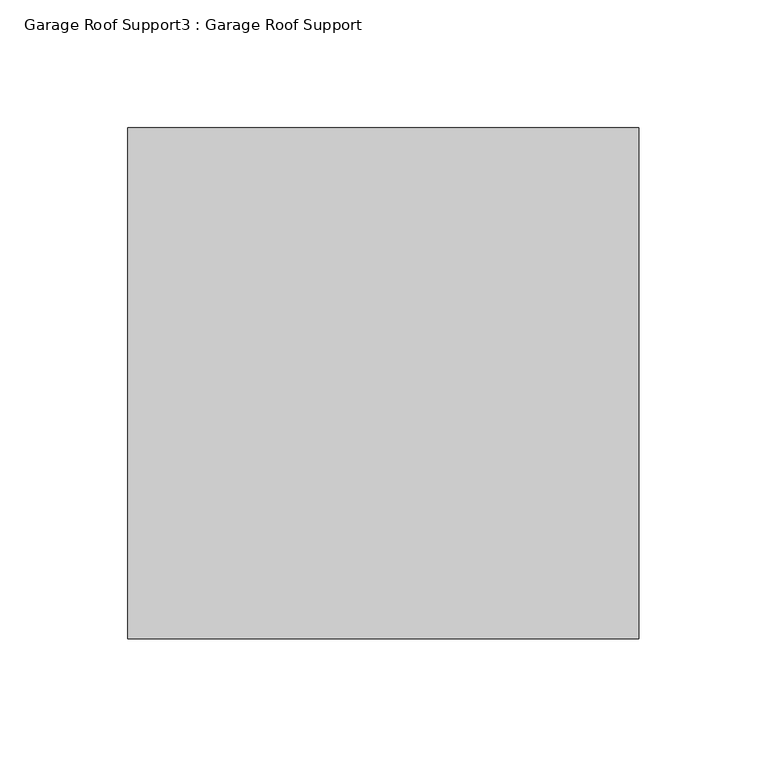
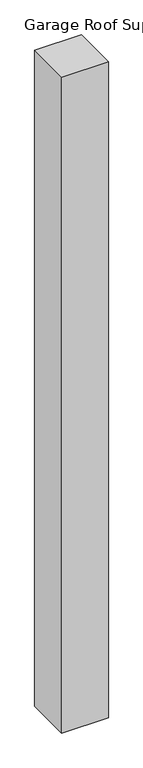
"""IFC4 building model written with IfcOpenShell, lengths in millimetres: proxy geometry, Garage Roof Support3 : Garage Roof Support."""

from ifc_helpers import new_model, si_unit, frame, origin, place, context, project, spatial, polyline, outline, extrude, source, transform, mapped, element, save


def garage_roof_support3_garage_roof_support_045edc7a(model_context):
    return source(origin(), model_context, "Body", "SweptSolid", [
        extrude(outline(polyline([(103535.5958541, -27293.1881628), (103735.5958541, -27293.1881628), (103735.5958541, -27493.1881628), (103535.5958541, -27493.1881628), (103535.5958541, -27293.1881628)])), frame((0.0, 0.0, 67850.0), z_axis=(0.0, 0.0, 1.0), x_axis=(1.0, 0.0, 0.0)), (0.0, 0.0, 1.0), 2970.0),
    ])


if __name__ == "__main__":
    model = new_model("IFC4")
    model_context = context("Model", 3, world=origin())
    ifc_project = project(units=[si_unit("LENGTHUNIT", "METRE", prefix="MILLI")], contexts=[model_context])
    site = spatial("IfcSite", under=ifc_project)
    building = spatial("IfcBuilding", under=site)
    placement = place(None, origin())
    garage_roof_support3_garage_roof_support_shape = garage_roof_support3_garage_roof_support_045edc7a(model_context)
    element("IfcBuildingElementProxy", 1, Name="Garage Roof Support3 : Garage Roof Support", ObjectType="Garage Roof Support3 : Garage Roof Support", at=placement, inside=building, context=model_context, shape_type="MappedRepresentation", body=[
        mapped(garage_roof_support3_garage_roof_support_shape, transform((0.0, 0.0, 0.0), x_axis=(1.0, 0.0, 0.0), y_axis=(0.0, 1.0, 0.0), z_axis=(0.0, 0.0, 1.0))),
    ])
    save(model, "model.ifc")
